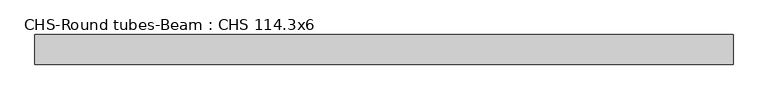
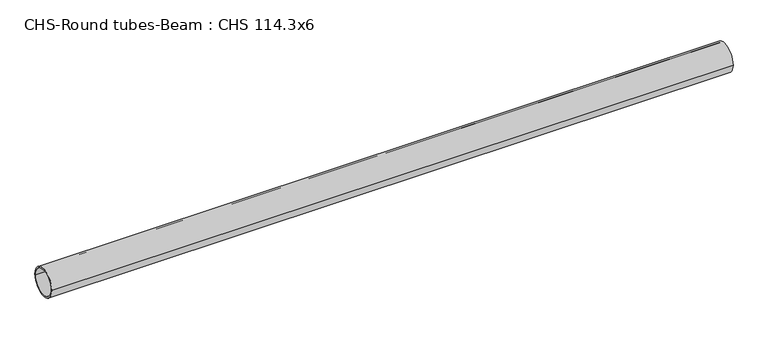
"""IFC4 building model written with IfcOpenShell, lengths in millimetres: beam geometry, CHS-Round tubes-Beam : CHS 114.3x6."""

from ifc_helpers import new_model, si_unit, point, frame, origin, origin_2d, place, context, project, spatial, circle_curve, trimmed, segment, composite_curve, outline, extrude, source, transform, mapped, element, save


def chs_round_tubes_beam_chs_114_3x6_76686626(model_context):
    return source(origin(), model_context, "Body", "SweptSolid", [
        extrude(outline(composite_curve([segment(trimmed(circle_curve(origin_2d(), 57.15), [point((57.15, 0.0))], [point((-57.15, 0.0))], False, "CARTESIAN"), True, "CONTINUOUS"), segment(trimmed(circle_curve(origin_2d(), 57.15), [point((-57.15, 0.0))], [point((57.15, 0.0))], False, "CARTESIAN"), True, "CONTINUOUS")], self_intersect=False), holes=[composite_curve([segment(trimmed(circle_curve(origin_2d(), 51.15), [point((51.15, 0.0))], [point((-51.15, 0.0))], True, "CARTESIAN"), True, "CONTINUOUS"), segment(trimmed(circle_curve(origin_2d(), 51.15), [point((-51.15, 0.0))], [point((51.15, 0.0))], True, "CARTESIAN"), True, "CONTINUOUS")], self_intersect=False)]), frame((-1345.0805432, 0.0, 0.0), z_axis=(1.0, 0.0, 0.0), x_axis=(0.0, 1.0, 0.0)), (0.0, 0.0, 1.0), 2690.6771126),
    ])


if __name__ == "__main__":
    model = new_model("IFC4")
    model_context = context("Model", 3, world=origin())
    ifc_project = project(units=[si_unit("LENGTHUNIT", "METRE", prefix="MILLI")], contexts=[model_context])
    site = spatial("IfcSite", under=ifc_project)
    building = spatial("IfcBuilding", under=site)
    placement = place(None, origin())
    chs_round_tubes_beam_chs_114_3x6_shape = chs_round_tubes_beam_chs_114_3x6_76686626(model_context)
    element("IfcBeam", 1, ObjectType="CHS-Round tubes-Beam : CHS 114.3x6", at=placement, inside=building, context=model_context, shape_type="MappedRepresentation", body=[
        mapped(chs_round_tubes_beam_chs_114_3x6_shape, transform((0.0, 0.0, 0.0), x_axis=(1.0, 0.0, 0.0), y_axis=(0.0, 1.0, 0.0), z_axis=(0.0, 0.0, 1.0))),
    ])
    save(model, "model.ifc")
